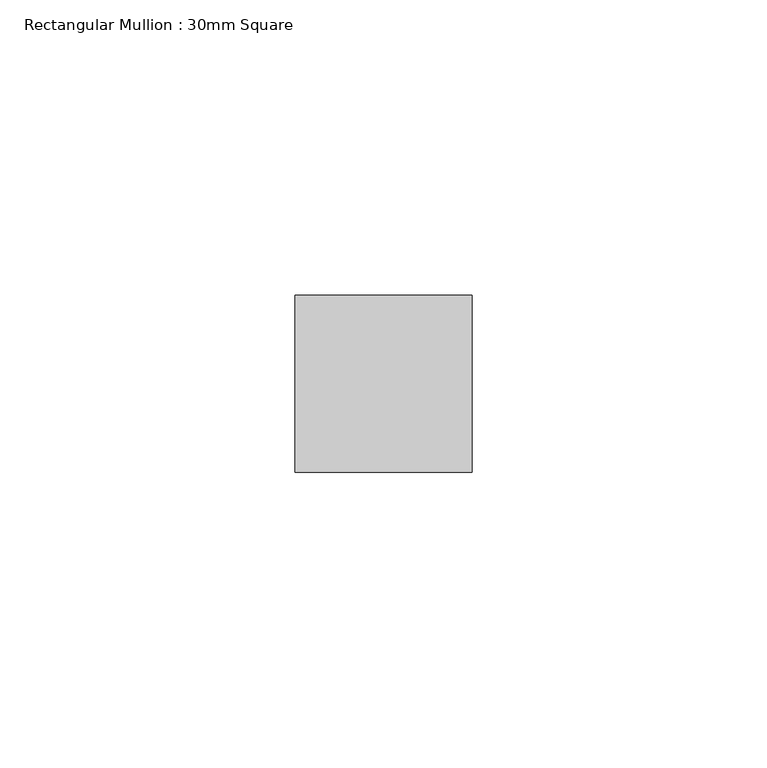
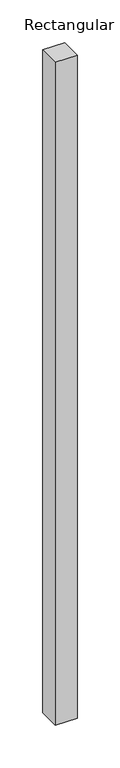
"""IFC4 building model written with IfcOpenShell, lengths in millimetres: member geometry, Rectangular Mullion : 30mm Square."""

from ifc_helpers import new_model, si_unit, frame, origin, place, context, project, spatial, polyline, outline, extrude, source, transform, mapped, element, save


def rectangular_mullion_30mm_square_dea03972(model_context):
    return source(origin(), model_context, "Body", "SweptSolid", [
        extrude(outline(polyline([(15.0, 15.0), (15.0, -15.0), (-15.0, -15.0), (-15.0, 15.0), (15.0, 15.0)])), frame((0.0, 0.0, -951.9338703), z_axis=(0.0, 0.0, 1.0), x_axis=(1.0, 0.0, 0.0)), (0.0, 0.0, 1.0), 951.9338703),
    ])


if __name__ == "__main__":
    model = new_model("IFC4")
    model_context = context("Model", 3, world=origin())
    ifc_project = project(units=[si_unit("LENGTHUNIT", "METRE", prefix="MILLI")], contexts=[model_context])
    site = spatial("IfcSite", under=ifc_project)
    building = spatial("IfcBuilding", under=site)
    placement = place(None, origin())
    rectangular_mullion_30mm_square_shape = rectangular_mullion_30mm_square_dea03972(model_context)
    element("IfcMember", 1, ObjectType="Rectangular Mullion : 30mm Square", at=placement, inside=building, context=model_context, shape_type="MappedRepresentation", body=[
        mapped(rectangular_mullion_30mm_square_shape, transform((0.0, 0.0, 0.0), x_axis=(1.0, 0.0, 0.0), y_axis=(0.0, 1.0, 0.0), z_axis=(0.0, 0.0, 1.0))),
    ])
    save(model, "model.ifc")
